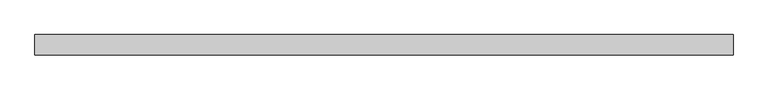
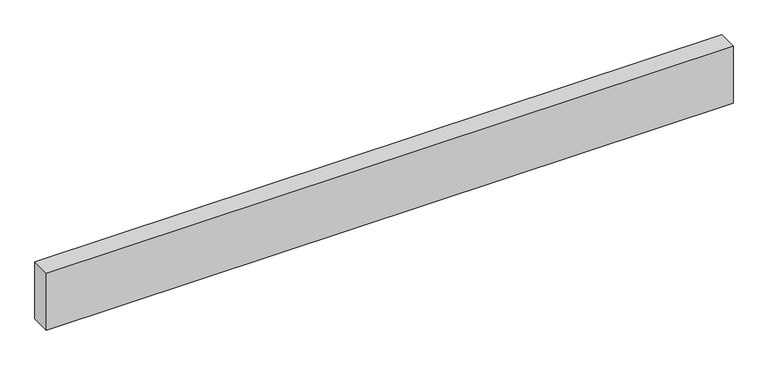
"""IFC4 building model written with IfcOpenShell, lengths in millimetres: proxy geometry."""

from ifc_helpers import new_model, si_unit, origin, origin_with_axes, place, context, project, spatial, polyline, outline, extrude, source, transform, mapped, element, save


def generic_models_fea92697(model_context):
    return source(origin(), model_context, "Body", "SweptSolid", [
        extrude(outline(polyline([(3432.0817847, 0.0), (3432.0817847, -100.0), (0.0, -100.0), (0.0, 0.0), (3432.0817847, 0.0)])), origin_with_axes(), (0.0, 0.0, 1.0), 300.0),
    ])


if __name__ == "__main__":
    model = new_model("IFC4")
    model_context = context("Model", 3, world=origin())
    ifc_project = project(units=[si_unit("LENGTHUNIT", "METRE", prefix="MILLI")], contexts=[model_context])
    site = spatial("IfcSite", under=ifc_project)
    building = spatial("IfcBuilding", under=site)
    placement = place(None, origin())
    generic_models_shape = generic_models_fea92697(model_context)
    element("IfcBuildingElementProxy", 1, Name="Generic Models", at=placement, inside=building, context=model_context, shape_type="MappedRepresentation", body=[
        mapped(generic_models_shape, transform((0.0, 0.0, 0.0), x_axis=(1.0, 0.0, 0.0), y_axis=(0.0, 1.0, 0.0), z_axis=(0.0, 0.0, 1.0))),
    ])
    save(model, "model.ifc")
